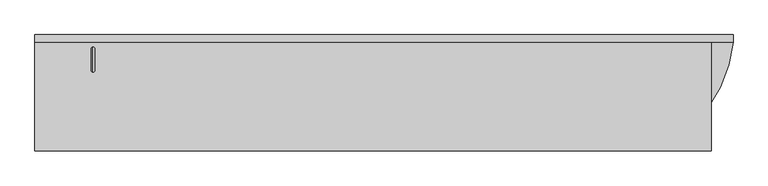
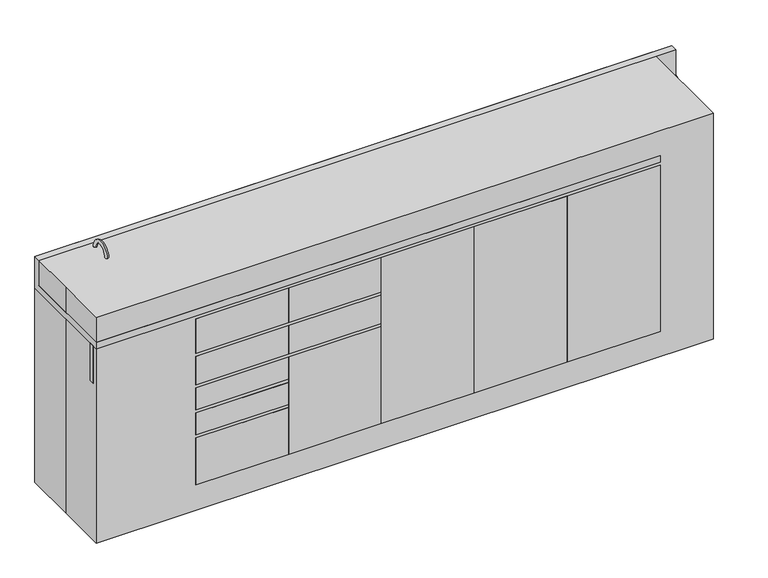
"""IFC4 building model written with IfcOpenShell, lengths in millimetres: proxy geometry."""

from ifc_helpers import new_model, si_unit, point, frame, frame_2d, origin, origin_with_axes, place, context, project, spatial, polyline, circle_curve, ellipse_curve, trimmed, segment, composite_curve, outline, extrude, source, transform, mapped, element, save
from ifc_brep_helpers import plane_surface, cylinder_surface, revolved_surface, advanced_brep


def specialty_equipment_783713db(model_context):
    return source(origin(), model_context, "Body", "SolidModel", [
        advanced_brep(
        [(-1014.0443585, -165.0080446, 787.3899582), (-1014.0443585, 139.7919554, 787.3899582), (-1014.0443585, 128.6794554, 787.3899582), (-1014.0443585, -153.8955446, 787.3899582), (-1014.0443585, 127.0919554, 785.8024582), (-1014.0443585, -152.3080446, 785.8024582), (-1014.0443585, 127.0919554, 730.25), (-1014.0443585, -152.3080446, 730.25), (-1014.0443585, -101.5080446, 679.45), (-1014.0443585, 76.2919554, 679.45), (-1014.0443585, -0.1899284, 679.45), (-1003.5461263, -12.6976148, 679.45), (-1014.0443585, -25.2053012, 679.45), (-1028.9461263, -12.6976148, 679.45), (-1014.0443585, -158.6580446, 676.275), (-1014.0443585, 133.4419554, 676.275), (-1014.0443585, 133.4419554, 784.0168572), (-1014.0443585, -158.6580446, 784.0168572), (-1014.0443585, 139.7919554, 784.0168572), (-1014.0443585, -165.0080446, 784.0168572), (-1014.0443585, -25.2053012, 676.275), (-1003.5461263, -12.6976148, 676.275), (-1014.0443585, -0.1899284, 676.275), (-1028.9461263, -12.6976148, 676.275)],
        [
            (0, 1, circle_curve(frame((-1014.0443585, -12.6080446, 787.3899582), z_axis=(0.0, 0.0, 1.0), x_axis=(0.0, 1.0, 0.0)), 152.4)),
            (1, 2),
            (2, 3, circle_curve(frame((-1014.0443585, -12.6080446, 787.3899582), z_axis=(0.0, 0.0, -1.0), x_axis=(0.0, 1.0, 0.0)), 141.2875)),
            (3, 0),
            (1, 0, circle_curve(frame((-1014.0443585, -12.6080446, 787.3899582), z_axis=(0.0, 0.0, 1.0), x_axis=(0.0, 1.0, 0.0)), 152.4)),
            (3, 2, circle_curve(frame((-1014.0443585, -12.6080446, 787.3899582), z_axis=(0.0, 0.0, -1.0), x_axis=(0.0, 1.0, 0.0)), 141.2875)),
            (2, 4, circle_curve(frame((-1014.0443585, 128.6794554, 785.8024582), z_axis=(1.0, 0.0, 0.0), x_axis=(0.0, 1.0, 0.0)), 1.5875)),
            (4, 5, circle_curve(frame((-1014.0443585, -12.6080446, 785.8024582), z_axis=(0.0, 0.0, -1.0), x_axis=(0.0, 1.0, 0.0)), 139.7)),
            (5, 3, circle_curve(frame((-1014.0443585, -153.8955446, 785.8024582), z_axis=(1.0, 0.0, 0.0), x_axis=(0.0, -1.0, 0.0)), 1.5875)),
            (5, 4, circle_curve(frame((-1014.0443585, -12.6080446, 785.8024582), z_axis=(0.0, 0.0, -1.0), x_axis=(0.0, 1.0, 0.0)), 139.7)),
            (4, 6),
            (6, 7, circle_curve(frame((-1014.0443585, -12.6080446, 730.25), z_axis=(0.0, 0.0, -1.0), x_axis=(0.0, 1.0, 0.0)), 139.7)),
            (7, 5),
            (7, 6, circle_curve(frame((-1014.0443585, -12.6080446, 730.25), z_axis=(0.0, 0.0, -1.0), x_axis=(0.0, 1.0, 0.0)), 139.7)),
            (8, 9, circle_curve(frame((-1014.0443585, -12.6080446, 679.45), z_axis=(0.0, 0.0, 1.0), x_axis=(0.0, 1.0, 0.0)), 88.9)),
            (9, 10),
            (10, 11, circle_curve(frame((-1016.2461263, -12.6976148, 679.45), z_axis=(0.0, 0.0, -1.0), x_axis=(-1.0, 0.0, 0.0)), 12.7)),
            (11, 12, circle_curve(frame((-1016.2461263, -12.6976148, 679.45), z_axis=(0.0, 0.0, -1.0), x_axis=(-1.0, 0.0, 0.0)), 12.7)),
            (12, 8),
            (9, 8, circle_curve(frame((-1014.0443585, -12.6080446, 679.45), z_axis=(0.0, 0.0, 1.0), x_axis=(0.0, 1.0, 0.0)), 88.9)),
            (12, 13, circle_curve(frame((-1016.2461263, -12.6976148, 679.45), z_axis=(0.0, 0.0, -1.0), x_axis=(-1.0, 0.0, 0.0)), 12.7)),
            (13, 10, circle_curve(frame((-1016.2461263, -12.6976148, 679.45), z_axis=(0.0, 0.0, -1.0), x_axis=(-1.0, 0.0, 0.0)), 12.7)),
            (14, 15, circle_curve(frame((-1014.0443585, -12.6080446, 676.275), z_axis=(0.0, 0.0, 1.0), x_axis=(0.0, 1.0, 0.0)), 146.05)),
            (15, 16),
            (16, 17, circle_curve(frame((-1014.0443585, -12.6080446, 784.0168572), z_axis=(0.0, 0.0, -1.0), x_axis=(0.0, 1.0, 0.0)), 146.05)),
            (17, 14),
            (15, 14, circle_curve(frame((-1014.0443585, -12.6080446, 676.275), z_axis=(0.0, 0.0, 1.0), x_axis=(0.0, 1.0, 0.0)), 146.05)),
            (17, 16, circle_curve(frame((-1014.0443585, -12.6080446, 784.0168572), z_axis=(0.0, 0.0, -1.0), x_axis=(0.0, 1.0, 0.0)), 146.05)),
            (16, 18),
            (18, 19, circle_curve(frame((-1014.0443585, -12.6080446, 784.0168572), z_axis=(0.0, 0.0, -1.0), x_axis=(0.0, 1.0, 0.0)), 152.4)),
            (19, 17),
            (19, 18, circle_curve(frame((-1014.0443585, -12.6080446, 784.0168572), z_axis=(0.0, 0.0, -1.0), x_axis=(0.0, 1.0, 0.0)), 152.4)),
            (0, 19),
            (18, 1),
            (14, 20),
            (20, 21, circle_curve(frame((-1016.2461263, -12.6976148, 676.275), z_axis=(0.0, 0.0, 1.0), x_axis=(-1.0, 0.0, 0.0)), 12.7)),
            (21, 22, circle_curve(frame((-1016.2461263, -12.6976148, 676.275), z_axis=(0.0, 0.0, 1.0), x_axis=(-1.0, 0.0, 0.0)), 12.7)),
            (22, 15),
            (22, 23, circle_curve(frame((-1016.2461263, -12.6976148, 676.275), z_axis=(0.0, 0.0, 1.0), x_axis=(-1.0, 0.0, 0.0)), 12.7)),
            (23, 20, circle_curve(frame((-1016.2461263, -12.6976148, 676.275), z_axis=(0.0, 0.0, 1.0), x_axis=(-1.0, 0.0, 0.0)), 12.7)),
            (6, 9, circle_curve(frame((-1014.0443585, 76.2919554, 730.25), z_axis=(-1.0, 0.0, 0.0), x_axis=(0.0, 1.0, 0.0)), 50.8)),
            (8, 7, circle_curve(frame((-1014.0443585, -101.5080446, 730.25), z_axis=(-1.0, 0.0, 0.0), x_axis=(0.0, -1.0, 0.0)), 50.8)),
            (23, 13),
            (11, 21),
        ],
        [
            plane_surface(frame((-1014.0443585, -12.6080446, 787.3899582), z_axis=(0.0, 0.0, 1.0), x_axis=(0.0, 1.0, 0.0))),
            revolved_surface(trimmed(ellipse_curve(frame((-1014.0443585, 128.6794554, 785.8024582), z_axis=(-1.0, 0.0, 0.0), x_axis=(0.0, 1.0, 0.0)), 1.5875, 1.5875), [point((-1014.0443585, 127.0919554, 785.8024582))], [point((-1014.0443585, 128.6794554, 787.3899582))], True, "CARTESIAN"), (-1014.0443585, -12.6080446, 787.4), (0.0, 0.0, -1.0)),
            revolved_surface(polyline([(-1014.0443585, 127.09195539999999, 730.25), (-1014.0443585, 127.09195539999999, 785.8024582)]), (-1014.0443585, -12.6080446, 787.4), (0.0, 0.0, -1.0)),
            plane_surface(frame((-1014.0443585, -12.6080446, 679.45), z_axis=(0.0, 0.0, 1.0), x_axis=(0.0, 1.0, 0.0))),
            cylinder_surface(frame((-1014.0443585, -12.6080446, 787.4), z_axis=(0.0, 0.0, -1.0), x_axis=(0.0, 1.0, 0.0)), 146.05),
            plane_surface(frame((-1014.0443585, -12.6080446, 784.0168572), z_axis=(0.0, 0.0, -1.0), x_axis=(0.0, 1.0, 0.0))),
            cylinder_surface(frame((-1014.0443585, -12.6080446, 787.4), z_axis=(0.0, 0.0, -1.0), x_axis=(0.0, 1.0, 0.0)), 152.4),
            plane_surface(frame((-1014.0443585, -12.6080446, 676.275), z_axis=(0.0, 0.0, -1.0), x_axis=(0.0, 1.0, 0.0))),
            revolved_surface(trimmed(ellipse_curve(frame((-1014.0443585, 76.2919554, 730.25), z_axis=(1.0, 0.0, 0.0), x_axis=(0.0, 1.0, 0.0)), 50.8, 50.8), [point((-1014.0443585, 76.2919554, 679.45))], [point((-1014.0443585, 127.0919554, 730.25))], True, "CARTESIAN"), (-1014.0443585, -12.6080446, 787.4), (0.0, 0.0, -1.0)),
            revolved_surface(polyline([(-1028.9461263, -12.6976148, 679.45), (-1028.9461263, -12.6976148, 676.275)]), (-1016.2461263, -12.6976148, 673.1), (0.0, 0.0, 1.0)),
        ],
        [
            (0, [[1, 2, 3, 4]]),
            (0, [[-2, 5, -4, 6]]),
            (1, [[-3, 7, 8, 9]]),
            (1, [[-6, -9, 10, -7]]),
            (2, [[-8, 11, 12, 13]]),
            (2, [[-10, -13, 14, -11]]),
            (3, [[15, 16, 17, 18, 19]]),
            (3, [[20, -19, 21, 22, -16]]),
            (4, [[23, 24, 25, 26]]),
            (4, [[-24, 27, -26, 28]]),
            (5, [[-25, 29, 30, 31]]),
            (5, [[-28, -31, 32, -29]]),
            (6, [[-1, 33, -30, 34]]),
            (6, [[-5, -34, -32, -33]]),
            (7, [[-23, 35, 36, 37, 38]]),
            (7, [[-27, -38, 39, 40, -35]]),
            (8, [[-12, 41, -15, 42]]),
            (8, [[-14, -42, -20, -41]]),
            (9, [[43, -21, -18, 44, -36, -40]]),
            (9, [[-43, -39, -37, -44, -17, -22]]),
        ],
    ),
        extrude(outline(polyline([(-1219.2, -184.15), (-1219.2, -165.1), (-850.9, -165.1), (-850.9, -184.15), (-1219.2, -184.15)])), frame((0.0, 0.0, 635.0), z_axis=(0.0, 0.0, 1.0), x_axis=(1.0, 0.0, 0.0)), (0.0, 0.0, 1.0), 152.4),
        extrude(outline(polyline([(-184.15, 101.6), (-203.2, 101.6), (-203.2, 774.4822891), (-193.675, 774.4822891), (-193.675, 787.2846899), (-184.15, 787.2846899), (-184.15, 101.6)])), frame((584.2, 0.0, 0.0), z_axis=(1.0, 0.0, 0.0), x_axis=(0.0, 1.0, 0.0)), (0.0, 0.0, 1.0), 355.6),
        extrude(outline(polyline([(-184.15, 101.6), (-203.2, 101.6), (-203.2, 774.7), (-193.675, 774.7), (-193.675, 787.4), (-184.15, 787.4), (-184.15, 101.6)])), frame((228.6, 0.0, 0.0), z_axis=(1.0, 0.0, 0.0), x_axis=(0.0, 1.0, 0.0)), (0.0, 0.0, 1.0), 355.6),
        extrude(outline(polyline([(-184.15, 101.6), (-203.2, 101.6), (-203.2, 774.7), (-193.675, 774.7), (-193.675, 787.4), (-184.15, 787.4), (-184.15, 101.6)])), frame((-127.0, 0.0, 0.0), z_axis=(1.0, 0.0, 0.0), x_axis=(0.0, 1.0, 0.0)), (0.0, 0.0, 1.0), 355.6),
        extrude(outline(polyline([(-193.675, 774.7), (-193.675, 787.4), (-184.15, 787.4), (-184.15, 635.0), (-203.2, 635.0), (-203.2, 774.7), (-193.675, 774.7)])), frame((-482.6, 0.0, 0.0), z_axis=(1.0, 0.0, 0.0), x_axis=(0.0, 1.0, 0.0)), (0.0, 0.0, 1.0), 355.6),
        extrude(outline(polyline([(-193.675, 622.9156171), (-193.675, 635.0), (-184.15, 635.0), (-184.15, 508.0524006), (-203.2, 508.0524006), (-203.2, 622.9156171), (-193.675, 622.9156171)])), frame((-482.6, 0.0, 0.0), z_axis=(1.0, 0.0, 0.0), x_axis=(0.0, 1.0, 0.0)), (0.0, 0.0, 1.0), 355.6),
        extrude(outline(polyline([(-193.675, 495.2120809), (-193.675, 508.0517033), (-184.15, 508.0517033), (-184.15, 101.6), (-203.2, 101.6), (-203.2, 495.2120809), (-193.675, 495.2120809)])), frame((-482.6, 0.0, 0.0), z_axis=(1.0, 0.0, 0.0), x_axis=(0.0, 1.0, 0.0)), (0.0, 0.0, 1.0), 355.6),
        extrude(outline(composite_curve([segment(trimmed(circle_curve(frame_2d((-1053.7479232, 156.0133962)), 12.7), [point((-1041.0479232, 156.0133962))], [point((-1066.4479232, 156.0133962))], False, "CARTESIAN"), True, "CONTINUOUS"), segment(trimmed(circle_curve(frame_2d((-1053.7479232, 156.0133962)), 12.7), [point((-1066.4479232, 156.0133962))], [point((-1041.0479232, 156.0133962))], False, "CARTESIAN"), True, "CONTINUOUS")], self_intersect=False)), frame((0.0, 0.0, 812.8), z_axis=(0.0, 0.0, 1.0), x_axis=(1.0, 0.0, 0.0)), (0.0, 0.0, 1.0), 31.75),
        extrude(outline(composite_curve([segment(trimmed(circle_curve(frame_2d((-980.5384765, 156.0133962)), 12.7), [point((-967.8384765, 156.0133962))], [point((-993.2384765, 156.0133962))], False, "CARTESIAN"), True, "CONTINUOUS"), segment(trimmed(circle_curve(frame_2d((-980.5384765, 156.0133962)), 12.7), [point((-993.2384765, 156.0133962))], [point((-967.8384765, 156.0133962))], False, "CARTESIAN"), True, "CONTINUOUS")], self_intersect=False)), frame((0.0, 0.0, 812.8), z_axis=(0.0, 0.0, 1.0), x_axis=(1.0, 0.0, 0.0)), (0.0, 0.0, 1.0), 31.75),
        advanced_brep(
        [(-1016.415785, 148.0147812, 812.8), (-1016.415785, 160.7147812, 812.8), (-1016.415785, 160.7147812, 914.4), (-1016.415785, 148.0147812, 914.4), (-1016.415785, 84.5147812, 914.4), (-1016.415785, 71.8147812, 914.4)],
        [
            (0, 1, circle_curve(frame((-1016.415785, 154.3647812, 812.8), z_axis=(0.0, 0.0, -1.0), x_axis=(0.0, 1.0, 0.0)), 6.35)),
            (1, 0, circle_curve(frame((-1016.415785, 154.3647812, 812.8), z_axis=(0.0, 0.0, -1.0), x_axis=(0.0, 1.0, 0.0)), 6.35)),
            (1, 2),
            (2, 3, circle_curve(frame((-1016.415785, 154.3647812, 914.4), z_axis=(0.0, 0.0, -1.0), x_axis=(0.0, 1.0, 0.0)), 6.35)),
            (3, 0),
            (3, 2, circle_curve(frame((-1016.415785, 154.3647812, 914.4), z_axis=(0.0, 0.0, -1.0), x_axis=(0.0, 1.0, 0.0)), 6.35)),
            (4, 5, circle_curve(frame((-1016.415785, 78.1647812, 914.4), z_axis=(0.0, 0.0, -1.0), x_axis=(0.0, -1.0, 0.0)), 6.35)),
            (5, 4, circle_curve(frame((-1016.415785, 78.1647812, 914.4), z_axis=(0.0, 0.0, -1.0), x_axis=(0.0, -1.0, 0.0)), 6.35)),
            (4, 3, circle_curve(frame((-1016.415785, 116.2647812, 914.4), z_axis=(-1.0, 0.0, 0.0), x_axis=(0.0, 1.0, 0.0)), 31.75)),
            (2, 5, circle_curve(frame((-1016.415785, 116.2647812, 914.4), z_axis=(1.0, 0.0, 0.0), x_axis=(0.0, 1.0, 0.0)), 44.45)),
        ],
        [
            plane_surface(frame((-1104.9, 154.3647812, 812.8), z_axis=(0.0, 0.0, -1.0), x_axis=(-1.0, 0.0, 0.0))),
            cylinder_surface(frame((-1016.415785, 154.3647812, 812.8), z_axis=(0.0, 0.0, -1.0), x_axis=(0.0, 1.0, 0.0)), 6.35),
            plane_surface(frame((-1104.9, 78.1647812, 914.4), z_axis=(0.0, 0.0, -1.0), x_axis=(-1.0, 0.0, 0.0))),
            revolved_surface(trimmed(ellipse_curve(frame((-1016.415785, 154.3647812, 914.4), z_axis=(0.0, 0.0, -1.0), x_axis=(0.0, 1.0, 0.0)), 6.35, 6.35), [point((-1016.415785, 160.7147812, 914.4))], [point((-1016.415785, 148.0147812, 914.4))], True, "CARTESIAN"), (-1104.9, 116.2647812, 914.4), (1.0, 0.0, 0.0)),
            revolved_surface(trimmed(ellipse_curve(frame((-1016.415785, 154.3647812, 914.4), z_axis=(0.0, 0.0, -1.0), x_axis=(0.0, 1.0, 0.0)), 6.35, 6.35), [point((-1016.415785, 148.0147812, 914.4))], [point((-1016.415785, 160.7147812, 914.4))], True, "CARTESIAN"), (-1104.9, 116.2647812, 914.4), (1.0, 0.0, 0.0)),
        ],
        [
            (0, [[1, 2]]),
            (1, [[-2, 3, 4, 5]]),
            (1, [[-1, -5, 6, -3]]),
            (2, [[7, 8]]),
            (3, [[9, -4, 10, -7]]),
            (4, [[-10, -6, -9, -8]]),
        ],
    ),
        extrude(outline(polyline([(-193.675, 774.7), (-193.675, 787.4), (-184.15, 787.4), (-184.15, 635.0), (-203.2, 635.0), (-203.2, 774.7), (-193.675, 774.7)])), frame((-838.2, 0.0, 0.0), z_axis=(1.0, 0.0, 0.0), x_axis=(0.0, 1.0, 0.0)), (0.0, 0.0, 1.0), 355.6),
        extrude(outline(polyline([(-193.675, 622.9156171), (-193.675, 635.0), (-184.15, 635.0), (-184.15, 508.0), (-203.2, 508.0), (-203.2, 622.9156171), (-193.675, 622.9156171)])), frame((-838.2, 0.0, 0.0), z_axis=(1.0, 0.0, 0.0), x_axis=(0.0, 1.0, 0.0)), (0.0, 0.0, 1.0), 355.6),
        extrude(outline(polyline([(-193.675, 495.3), (-193.675, 508.0), (-184.15, 508.0), (-184.15, 406.4), (-203.2, 406.4), (-203.2, 495.3), (-193.675, 495.3)])), frame((-838.2, 0.0, 0.0), z_axis=(1.0, 0.0, 0.0), x_axis=(0.0, 1.0, 0.0)), (0.0, 0.0, 1.0), 355.6),
        extrude(outline(polyline([(-193.675, 393.7), (-193.675, 406.4), (-184.15, 406.4), (-184.15, 304.8), (-203.2, 304.8), (-203.2, 393.7), (-193.675, 393.7)])), frame((-838.2, 0.0, 0.0), z_axis=(1.0, 0.0, 0.0), x_axis=(0.0, 1.0, 0.0)), (0.0, 0.0, 1.0), 355.6),
        extrude(outline(polyline([(-193.675, 292.1), (-193.675, 304.8), (-184.15, 304.8), (-184.15, 101.6), (-203.2, 101.6), (-203.2, 292.1), (-193.675, 292.1)])), frame((-838.2, 0.0, 0.0), z_axis=(1.0, 0.0, 0.0), x_axis=(0.0, 1.0, 0.0)), (0.0, 0.0, 1.0), 355.6),
        advanced_brep(
        [(-1219.2, 177.8, 914.4), (-1219.2, 203.2, 914.4), (-1219.2, 203.2, 787.4), (-1219.2, -203.2, 787.4), (-1219.2, -203.2, 812.8), (-1219.2, 177.8, 812.8), (1219.2, 177.8, 812.8), (1219.2, 177.8, 863.6), (1219.2, 177.8, 914.4), (939.8, -203.2, 812.8), (-874.2071906, -12.5959993, 812.8), (-1153.6071906, -12.5959993, 812.8), (939.8, -203.2, 787.4), (1219.2, 203.2, 787.4), (1219.2, 177.8, 787.4), (-1153.6071906, -12.5959993, 787.4), (-874.2071906, -12.5959993, 787.4), (1219.2, 203.2, 914.4)],
        [
            (0, 1),
            (1, 2),
            (2, 3),
            (3, 4),
            (4, 5),
            (5, 0),
            (5, 6),
            (6, 7),
            (7, 8),
            (8, 0),
            (4, 9),
            (9, 6, circle_curve(frame((763.8405952, 218.7835635, 812.8), z_axis=(0.0, 0.0, 1.0), x_axis=(1.0, 0.0, 0.0)), 457.2)),
            (10, 11, circle_curve(frame((-1013.9071906, -12.5959993, 812.8), z_axis=(0.0, 0.0, -1.0), x_axis=(-1.0, 0.0, 0.0)), 139.7)),
            (11, 10, circle_curve(frame((-1013.9071906, -12.5959993, 812.8), z_axis=(0.0, 0.0, -1.0), x_axis=(-1.0, 0.0, 0.0)), 139.7)),
            (3, 12),
            (12, 9),
            (2, 13),
            (13, 14),
            (14, 12, circle_curve(frame((763.8405952, 218.7835635, 787.4), z_axis=(0.0, 0.0, -1.0), x_axis=(1.0, 0.0, 0.0)), 457.2)),
            (15, 16, circle_curve(frame((-1013.9071906, -12.5959993, 787.4), z_axis=(0.0, 0.0, 1.0), x_axis=(-1.0, 0.0, 0.0)), 139.7)),
            (16, 15, circle_curve(frame((-1013.9071906, -12.5959993, 787.4), z_axis=(0.0, 0.0, 1.0), x_axis=(-1.0, 0.0, 0.0)), 139.7)),
            (17, 13),
            (1, 17),
            (8, 17),
            (15, 11),
            (10, 16),
            (6, 14),
        ],
        [
            plane_surface(frame((-1219.2, 177.8, 812.8), z_axis=(-1.0, 0.0, 0.0), x_axis=(0.0, 0.0, 1.0))),
            plane_surface(frame((1219.2, 177.8, 914.4), z_axis=(0.0, -1.0, 0.0), x_axis=(-1.0, 0.0, 0.0))),
            plane_surface(frame((1219.2, 177.8, 812.8), z_axis=(0.0, 0.0, 1.0), x_axis=(-1.0, 0.0, 0.0))),
            plane_surface(frame((1219.2, -203.2, 812.8), z_axis=(0.0, -1.0, 0.0), x_axis=(-1.0, 0.0, 0.0))),
            plane_surface(frame((1219.2, -203.2, 787.4), z_axis=(0.0, 0.0, -1.0), x_axis=(-1.0, 0.0, 0.0))),
            plane_surface(frame((1219.2, 203.2, 787.4), z_axis=(0.0, 1.0, 0.0), x_axis=(-1.0, 0.0, 0.0))),
            plane_surface(frame((1219.2, 203.2, 914.4), z_axis=(0.0, 0.0, 1.0), x_axis=(-1.0, 0.0, 0.0))),
            revolved_surface(polyline([(-1153.6071906, -12.5959993, 812.8), (-1153.6071906, -12.5959993, 787.4)]), (-1013.9071906, -12.5959993, 768.35), (0.0, 0.0, 1.0)),
            plane_surface(frame((1219.2, 177.8, 812.8), z_axis=(1.0, 0.0, 0.0), x_axis=(0.0, 0.0, -1.0))),
            cylinder_surface(frame((763.8405952, 218.7835635, 736.6), z_axis=(0.0, 0.0, -1.0), x_axis=(1.0, 0.0, 0.0)), 457.2),
        ],
        [
            (0, [[1, 2, 3, 4, 5, 6]]),
            (1, [[-6, 7, 8, 9, 10]]),
            (2, [[-5, 11, 12, -7], [13, 14]]),
            (3, [[-4, 15, 16, -11]]),
            (4, [[-3, 17, 18, 19, -15], [20, 21]]),
            (5, [[22, -17, -2, 23]]),
            (6, [[24, -23, -1, -10]]),
            (7, [[25, -13, 26, -20]]),
            (7, [[-25, -21, -26, -14]]),
            (8, [[-22, -24, -9, -8, 27, -18]]),
            (9, [[-27, -12, -16, -19]]),
        ],
    ),
        extrude(outline(polyline([(-1219.2, 203.2), (1143.0, 203.2), (1143.0, -203.2), (-1219.2, -203.2), (-1219.2, 0.0), (-1219.2, 203.2)])), origin_with_axes(), (0.0, 0.0, 1.0), 914.4),
        extrude(outline(polyline([(184.15, 785.890324), (184.15, 0.0), (-165.1, 0.0), (-165.1, 101.6), (-184.15, 101.6), (-184.15, 785.890324), (184.15, 785.890324)])), frame((939.8, 0.0, 0.0), z_axis=(1.0, 0.0, 0.0), x_axis=(0.0, 1.0, 0.0)), (0.0, 0.0, 1.0), 12.7),
        extrude(outline(polyline([(1199.3554733, 184.15), (-850.9, 184.15), (-850.9, 203.2), (1199.3554733, 203.2), (1199.3554733, 184.15)])), origin_with_axes(), (0.0, 0.0, 1.0), 787.6898809),
        extrude(outline(polyline([(-117.475, 184.15), (-117.475, -184.15), (-136.525, -184.15), (-136.525, 184.15), (-117.475, 184.15)])), frame((0.0, 0.0, 120.7166954), z_axis=(0.0, 0.0, 1.0), x_axis=(1.0, 0.0, 0.0)), (0.0, 0.0, 1.0), 653.9833046),
        extrude(outline(polyline([(184.15, 787.4), (184.15, 0.0), (-165.1, 0.0), (-165.1, 101.6), (-184.15, 101.6), (-184.15, 787.4), (184.15, 787.4)])), frame((-850.9, 0.0, 0.0), z_axis=(1.0, 0.0, 0.0), x_axis=(0.0, 1.0, 0.0)), (0.0, 0.0, 1.0), 12.7),
        extrude(outline(polyline([(-473.075, 184.15), (-473.075, -184.15), (-492.125, -184.15), (-492.125, 184.15), (-473.075, 184.15)])), frame((0.0, 0.0, 120.7166954), z_axis=(0.0, 0.0, 1.0), x_axis=(1.0, 0.0, 0.0)), (0.0, 0.0, 1.0), 666.6833046),
        extrude(outline(polyline([(952.5, -184.15), (-850.9, -184.15), (-850.9, -165.1), (952.5, -165.1), (952.5, -184.15)])), origin_with_axes(), (0.0, 0.0, 1.0), 101.6),
        extrude(outline(polyline([(-838.2, 184.15), (939.8, 184.15), (939.8, -184.15), (-838.2, -184.15), (-838.2, 184.15)])), frame((0.0, 0.0, 101.6), z_axis=(0.0, 0.0, 1.0), x_axis=(1.0, 0.0, 0.0)), (0.0, 0.0, 1.0), 19.1166954),
    ])


if __name__ == "__main__":
    model = new_model("IFC4")
    model_context = context("Model", 3, world=origin())
    ifc_project = project(units=[si_unit("LENGTHUNIT", "METRE", prefix="MILLI")], contexts=[model_context])
    site = spatial("IfcSite", under=ifc_project)
    building = spatial("IfcBuilding", under=site)
    placement = place(None, origin())
    specialty_equipment_shape = specialty_equipment_783713db(model_context)
    element("IfcBuildingElementProxy", 1, Name="Specialty Equipment", at=placement, inside=building, context=model_context, shape_type="MappedRepresentation", body=[
        mapped(specialty_equipment_shape, transform((0.0, 0.0, 0.0), x_axis=(1.0, 0.0, 0.0), y_axis=(0.0, 1.0, 0.0), z_axis=(0.0, 0.0, 1.0))),
    ])
    save(model, "model.ifc")
